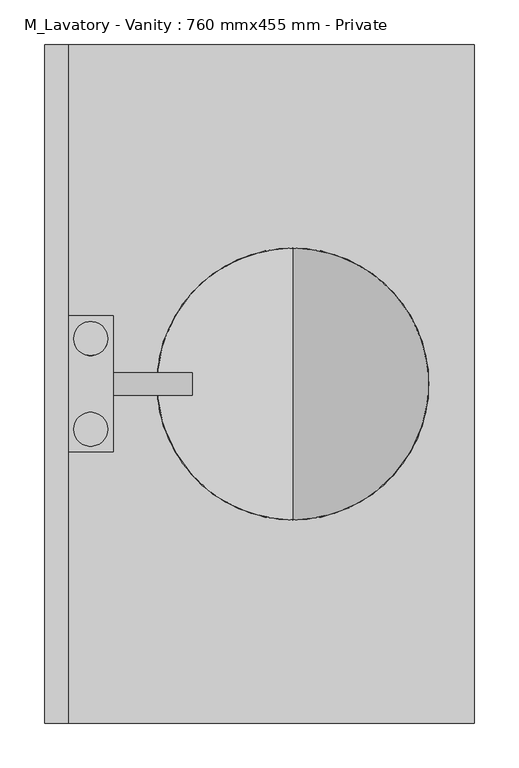
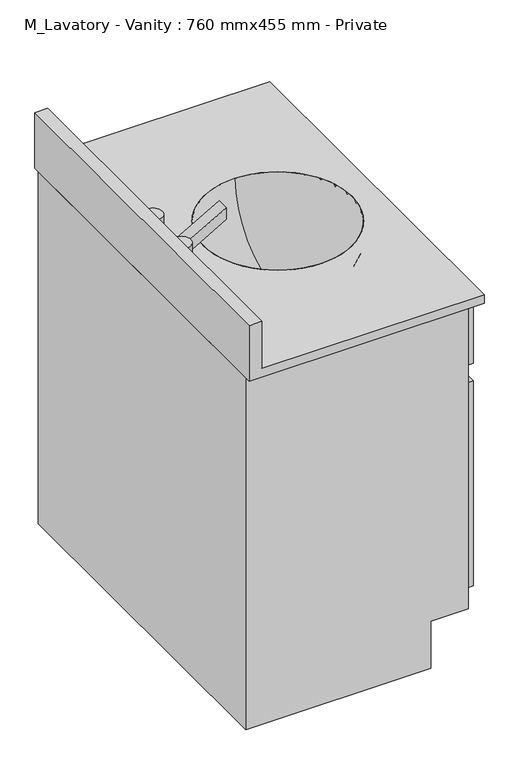
"""IFC4 building model written with IfcOpenShell, lengths in millimetres: flow terminal geometry, M_Lavatory - Vanity : 760 mmx455 mm - Private."""

from ifc_helpers import new_model, si_unit, point, frame, origin, place, context, project, spatial, polyline, circle_curve, ellipse_curve, trimmed, faceted_brep, source, transform, mapped, element, save
from ifc_brep_helpers import plane_surface, cylinder_surface, revolved_surface, advanced_brep


def m_lavatory_vanity_760_mmx455_mm_private_5dea4168(model_context):
    return source(origin(), model_context, "Body", "SolidModel", [
        advanced_brep(
        [(32.54375, -50.8, 844.55), (70.64375, -50.8, 844.55), (32.54375, 50.8, 844.55), (70.64375, 50.8, 844.55), (70.64375, -50.8, 806.45), (32.54375, -50.8, 806.45), (70.64375, 50.8, 806.45), (32.54375, 50.8, 806.45), (76.99375, -76.2, 806.45), (76.99375, -12.7, 806.45), (76.99375, 12.7, 806.45), (76.99375, 76.2, 806.45), (26.19375, 76.2, 806.45), (26.19375, -76.2, 806.45), (76.99375, 76.2, 781.05), (76.99375, 12.7, 781.05), (76.99375, -12.7, 781.05), (76.99375, -76.2, 781.05), (26.19375, -76.2, 781.05), (26.19375, 76.2, 781.05), (165.1, 12.7, 857.25), (165.1, 12.7, 831.85), (165.1, -12.7, 831.85), (165.1, -12.7, 857.25)],
        [
            (0, 1, circle_curve(frame((51.59375, -50.8, 844.55), z_axis=(0.0, 0.0, 1.0), x_axis=(1.0, 0.0, 0.0)), 19.05)),
            (1, 0, circle_curve(frame((51.59375, -50.8, 844.55), z_axis=(0.0, 0.0, 1.0), x_axis=(1.0, 0.0, 0.0)), 19.05)),
            (2, 3, circle_curve(frame((51.59375, 50.8, 844.55), z_axis=(0.0, 0.0, 1.0), x_axis=(1.0, 0.0, 0.0)), 19.05)),
            (3, 2, circle_curve(frame((51.59375, 50.8, 844.55), z_axis=(0.0, 0.0, 1.0), x_axis=(1.0, 0.0, 0.0)), 19.05)),
            (1, 4),
            (4, 5, circle_curve(frame((51.59375, -50.8, 806.45), z_axis=(0.0, 0.0, 1.0), x_axis=(1.0, 0.0, 0.0)), 19.05)),
            (5, 0),
            (5, 4, circle_curve(frame((51.59375, -50.8, 806.45), z_axis=(0.0, 0.0, 1.0), x_axis=(1.0, 0.0, 0.0)), 19.05)),
            (3, 6),
            (6, 7, circle_curve(frame((51.59375, 50.8, 806.45), z_axis=(0.0, 0.0, 1.0), x_axis=(1.0, 0.0, 0.0)), 19.05)),
            (7, 2),
            (7, 6, circle_curve(frame((51.59375, 50.8, 806.45), z_axis=(0.0, 0.0, 1.0), x_axis=(1.0, 0.0, 0.0)), 19.05)),
            (8, 9),
            (9, 10),
            (10, 11),
            (11, 12),
            (12, 13),
            (13, 8),
            (14, 15),
            (15, 16),
            (16, 17),
            (17, 18),
            (18, 19),
            (19, 14),
            (13, 18),
            (17, 8),
            (12, 19),
            (11, 14),
            (10, 15),
            (16, 9),
            (10, 20),
            (20, 21),
            (21, 15),
            (16, 22),
            (22, 23),
            (23, 9),
            (21, 22),
            (20, 23),
        ],
        [
            plane_surface(frame((70.64375, -50.8, 844.55), z_axis=(0.0, 0.0, 1.0), x_axis=(0.0, -1.0, 0.0))),
            cylinder_surface(frame((51.59375, -50.8, 806.45), z_axis=(0.0, 0.0, 1.0), x_axis=(1.0, 0.0, 0.0)), 19.05),
            cylinder_surface(frame((51.59375, 50.8, 0.0), z_axis=(0.0, 0.0, 1.0), x_axis=(1.0, 0.0, 0.0)), 19.05),
            plane_surface(frame((26.19375, -76.2, 806.45), z_axis=(0.0, 0.0, 1.0), x_axis=(-1.0, 0.0, 0.0))),
            plane_surface(frame((26.19375, -76.2, 781.05), z_axis=(0.0, 0.0, -1.0), x_axis=(1.0, 0.0, 0.0))),
            plane_surface(frame((76.99375, -76.2, 806.45), z_axis=(0.0, -1.0, 0.0), x_axis=(0.0, 0.0, -1.0))),
            plane_surface(frame((26.19375, -76.2, 806.45), z_axis=(-1.0, 0.0, 0.0), x_axis=(0.0, 0.0, -1.0))),
            plane_surface(frame((26.19375, 76.2, 806.45), z_axis=(0.0, 1.0, 0.0), x_axis=(0.0, 0.0, -1.0))),
            plane_surface(frame((76.99375, 76.2, 806.45), z_axis=(1.0, 0.0, 0.0), x_axis=(0.0, 0.0, -1.0))),
            plane_surface(frame((76.99375, 12.7, 806.45), z_axis=(0.0, 1.0, 0.0), x_axis=(0.0, 0.0, -1.0))),
            plane_surface(frame((76.99375, -12.7, 806.45), z_axis=(0.0, -1.0, 0.0), x_axis=(0.0, 0.0, 1.0))),
            plane_surface(frame((76.99375, 12.7, 781.05), z_axis=(0.4994972193446417, 0.0, -0.8663154897997444), x_axis=(0.0, -1.0, 0.0))),
            plane_surface(frame((165.1, 12.7, 831.85), z_axis=(1.0, 0.0, 0.0), x_axis=(0.0, -1.0, 0.0))),
            plane_surface(frame((165.1, 12.7, 857.25), z_axis=(-0.4994972193446448, 0.0, 0.8663154897997426), x_axis=(0.0, -1.0, 0.0))),
        ],
        [
            (0, [[1, 2]]),
            (0, [[3, 4]]),
            (1, [[5, 6, 7, -2]]),
            (1, [[-7, 8, -5, -1]]),
            (2, [[9, 10, 11, -4]]),
            (2, [[-11, 12, -9, -3]]),
            (3, [[13, 14, 15, 16, 17, 18], [-8, -6], [-12, -10]]),
            (4, [[19, 20, 21, 22, 23, 24]]),
            (5, [[25, -22, 26, -18]]),
            (6, [[27, -23, -25, -17]]),
            (7, [[28, -24, -27, -16]]),
            (8, [[-15, 29, -19, -28]]),
            (8, [[-21, 30, -13, -26]]),
            (9, [[-29, 31, 32, 33]]),
            (10, [[-30, 34, 35, 36]]),
            (11, [[37, -34, -20, -33]]),
            (12, [[38, -35, -37, -32]]),
            (13, [[-14, -36, -38, -31]]),
        ],
    ),
        advanced_brep(
        [(277.99375, 0.0, 628.65), (277.99375, 152.4, 781.05), (277.99375, -152.4, 781.05), (277.99375, 44.45, 628.65), (277.99375, 0.0, 628.65), (277.99375, -44.45, 628.65), (277.99375, 157.6028553, 762.0), (277.99375, -157.6028553, 762.0)],
        [
            (0, 1, circle_curve(frame((277.99375, 0.0, 781.05), z_axis=(1.0, 0.0, 0.0), x_axis=(0.0, 1.0, 0.0)), 152.4)),
            (1, 2, circle_curve(frame((277.99375, 0.0, 781.05), z_axis=(0.0, 0.0, 1.0), x_axis=(0.0, -1.0, 0.0)), 152.4)),
            (2, 0, circle_curve(frame((277.99375, 0.0, 781.05), z_axis=(1.0, 0.0, 0.0), x_axis=(0.0, -1.0, 0.0)), 152.4)),
            (2, 1, circle_curve(frame((277.99375, 0.0, 781.05), z_axis=(0.0, 0.0, 1.0), x_axis=(0.0, -1.0, 0.0)), 152.4)),
            (3, 4),
            (4, 5),
            (5, 3, circle_curve(frame((277.99375, 0.0, 628.65), z_axis=(0.0, 0.0, -1.0), x_axis=(0.0, -1.0, 0.0)), 44.45)),
            (3, 5, circle_curve(frame((277.99375, 0.0, 628.65), z_axis=(0.0, 0.0, -1.0), x_axis=(0.0, -1.0, 0.0)), 44.45)),
            (6, 3, circle_curve(frame((277.99375, 0.0, 781.05), z_axis=(-1.0, 0.0, 0.0), x_axis=(0.0, 1.0, 0.0)), 158.75)),
            (5, 7, circle_curve(frame((277.99375, 0.0, 781.05), z_axis=(-1.0, 0.0, 0.0), x_axis=(0.0, -1.0, 0.0)), 158.75)),
            (7, 6, circle_curve(frame((277.99375, 0.0, 762.0), z_axis=(0.0, 0.0, -1.0), x_axis=(0.0, -1.0, 0.0)), 157.6028553)),
            (6, 7, circle_curve(frame((277.99375, 0.0, 762.0), z_axis=(0.0, 0.0, -1.0), x_axis=(0.0, -1.0, 0.0)), 157.6028553)),
            (1, 6),
            (7, 2),
        ],
        [
            revolved_surface(trimmed(ellipse_curve(frame((277.99375, 0.0, 781.05), z_axis=(1.0, 0.0, 0.0), x_axis=(0.0, -1.0, 0.0)), 152.4, 152.4), [point((277.99375, -152.4, 781.05))], [point((277.99375, 0.0, 628.65))], True, "CARTESIAN"), (277.99375, 0.0, 520.7), (0.0, 0.0, 1.0)),
            plane_surface(frame((277.99375, 0.0, 628.65), z_axis=(0.0, 0.0, -1.0), x_axis=(0.0, -1.0, 0.0))),
            revolved_surface(trimmed(ellipse_curve(frame((277.99375, 0.0, 781.05), z_axis=(-1.0, 0.0, 0.0), x_axis=(0.0, -1.0, 0.0)), 158.75, 158.75), [point((277.99375, -44.45, 628.65))], [point((277.99375, -157.6028553, 762.0))], True, "CARTESIAN"), (277.99375, 0.0, 520.7), (0.0, 0.0, 1.0)),
            revolved_surface(polyline([(277.99375, -157.6028553, 762.0), (277.99375, -152.4, 781.05)]), (277.99375, 0.0, 520.7), (0.0, 0.0, 1.0)),
        ],
        [
            (0, [[1, 2, 3]]),
            (0, [[-3, 4, -1]]),
            (1, [[5, 6, 7]]),
            (1, [[-6, -5, 8]]),
            (2, [[9, -7, 10, 11]]),
            (2, [[-10, -8, -9, 12]]),
            (3, [[13, -11, 14, -2]]),
            (3, [[-14, -12, -13, -4]]),
        ],
    ),
        advanced_brep(
        [(481.19375, 380.0, 781.05), (26.19375, 380.0, 781.05), (26.19375, -380.0, 781.05), (481.19375, -380.0, 781.05), (430.39375, 0.0, 781.05), (125.59375, 0.0, 781.05), (481.19375, -380.0, 762.0), (0.0, -380.0, 762.0), (0.0, 380.0, 762.0), (481.19375, 380.0, 762.0), (125.59375, 0.0, 762.0), (430.39375, 0.0, 762.0), (26.19375, -380.0, 882.65), (0.0, -380.0, 882.65), (0.0, 380.0, 882.65), (26.19375, 380.0, 882.65)],
        [
            (0, 1),
            (1, 2),
            (2, 3),
            (3, 0),
            (4, 5, circle_curve(frame((277.99375, 0.0, 781.05), z_axis=(0.0, 0.0, -1.0), x_axis=(1.0, 0.0, 0.0)), 152.4)),
            (5, 4, circle_curve(frame((277.99375, 0.0, 781.05), z_axis=(0.0, 0.0, -1.0), x_axis=(1.0, 0.0, 0.0)), 152.4)),
            (6, 7),
            (7, 8),
            (8, 9),
            (9, 6),
            (10, 11, circle_curve(frame((277.99375, 0.0, 762.0), z_axis=(0.0, 0.0, 1.0), x_axis=(1.0, 0.0, 0.0)), 152.4)),
            (11, 10, circle_curve(frame((277.99375, 0.0, 762.0), z_axis=(0.0, 0.0, 1.0), x_axis=(1.0, 0.0, 0.0)), 152.4)),
            (6, 3),
            (2, 12),
            (12, 13),
            (13, 7),
            (13, 14),
            (14, 8),
            (14, 15),
            (15, 1),
            (0, 9),
            (5, 10),
            (11, 4),
            (12, 15),
        ],
        [
            plane_surface(frame((0.0, -380.0, 781.05), z_axis=(0.0, 0.0, 1.0), x_axis=(-1.0, 0.0, 0.0))),
            plane_surface(frame((0.0, -380.0, 762.0), z_axis=(0.0, 0.0, -1.0), x_axis=(1.0, 0.0, 0.0))),
            plane_surface(frame((481.19375, -380.0, 781.05), z_axis=(0.0, -1.0, 0.0), x_axis=(0.0, 0.0, -1.0))),
            plane_surface(frame((0.0, -380.0, 781.05), z_axis=(-1.0, 0.0, 0.0), x_axis=(0.0, 0.0, -1.0))),
            plane_surface(frame((0.0, 380.0, 781.05), z_axis=(0.0, 1.0, 0.0), x_axis=(0.0, 0.0, -1.0))),
            plane_surface(frame((481.19375, 380.0, 781.05), z_axis=(1.0, 0.0, 0.0), x_axis=(0.0, 0.0, -1.0))),
            revolved_surface(polyline([(430.39374999999995, 0.0, 781.05), (430.39374999999995, 0.0, 762.0)]), (277.99375, 0.0, 762.0), (0.0, 0.0, 1.0)),
            plane_surface(frame((0.0, -380.0, 882.65), z_axis=(0.0, 0.0, 1.0), x_axis=(-1.0, 0.0, 0.0))),
            plane_surface(frame((26.19375, 380.0, 882.65), z_axis=(1.0, 0.0, 0.0), x_axis=(0.0, 0.0, -1.0))),
        ],
        [
            (0, [[1, 2, 3, 4], [5, 6]]),
            (1, [[7, 8, 9, 10], [11, 12]]),
            (2, [[13, -3, 14, 15, 16, -7]]),
            (3, [[17, 18, -8, -16]]),
            (4, [[19, 20, -1, 21, -9, -18]]),
            (5, [[-13, -10, -21, -4]]),
            (6, [[-6, 22, -12, 23]]),
            (6, [[-11, -22, -5, -23]]),
            (7, [[24, -19, -17, -15]]),
            (8, [[-14, -2, -20, -24]]),
        ],
    ),
        faceted_brep([(379.59375, -367.3, 0.0), (0.0, -367.3, 0.0), (0.0, 367.3, 0.0), (379.59375, 367.3, 0.0), (379.59375, -367.3, 101.6), (455.79375, -367.3, 101.6), (455.79375, -367.3, 762.0), (0.0, -367.3, 762.0), (0.0, 367.3, 762.0), (455.79375, 367.3, 762.0), (455.79375, 367.3, 101.6), (379.59375, 367.3, 101.6), (26.19375, -341.9, 762.0), (26.19375, 341.9, 762.0), (443.09375, 341.9, 762.0), (443.09375, -341.9, 762.0), (455.79375, 341.9, 736.6), (455.79375, 341.9, 609.6), (455.79375, -341.9, 609.6), (455.79375, -341.9, 736.6), (455.79375, 341.9, 571.5), (455.79375, 341.9, 368.3), (455.79375, 87.9, 368.3), (455.79375, 87.9, 571.5), (455.79375, 341.9, 330.2), (455.79375, 341.9, 127.0), (455.79375, 87.9, 127.0), (455.79375, 87.9, 330.2), (455.79375, 49.8, 571.5), (455.79375, 49.8, 127.0), (455.79375, -341.9, 127.0), (455.79375, -341.9, 571.5), (443.09375, -341.9, 368.3), (443.09375, 341.9, 368.3), (26.19375, 341.9, 368.3), (26.19375, -341.9, 368.3), (481.19375, -341.9, 736.6), (481.19375, -341.9, 609.6), (481.19375, 341.9, 609.6), (481.19375, 341.9, 736.6), (481.19375, 87.9, 571.5), (481.19375, 87.9, 368.3), (481.19375, 341.9, 368.3), (481.19375, 341.9, 571.5), (481.19375, 87.9, 330.2), (481.19375, 87.9, 127.0), (481.19375, 341.9, 127.0), (481.19375, 341.9, 330.2), (481.19375, -341.9, 571.5), (481.19375, -341.9, 127.0), (481.19375, 49.8, 127.0), (481.19375, 49.8, 571.5)], [[[0, 1, 2, 3]], [[0, 4, 5, 6, 7, 1]], [[1, 7, 8, 2]], [[2, 8, 9, 10, 11, 3]], [[3, 11, 4, 0]], [[6, 9, 8, 7], [12, 13, 14, 15]], [[5, 4, 11, 10]], [[6, 5, 10, 9], [16, 17, 18, 19], [20, 21, 22, 23], [24, 25, 26, 27], [28, 29, 30, 31]], [[32, 33, 34, 35]], [[35, 12, 15, 32]], [[34, 13, 12, 35]], [[33, 14, 13, 34]], [[32, 15, 14, 33]], [[36, 37, 38, 39]], [[40, 41, 42, 43]], [[44, 45, 46, 47]], [[48, 49, 50, 51]], [[39, 16, 19, 36]], [[38, 17, 16, 39]], [[37, 18, 17, 38]], [[36, 19, 18, 37]], [[43, 20, 23, 40]], [[42, 21, 20, 43]], [[41, 22, 21, 42]], [[40, 23, 22, 41]], [[47, 24, 27, 44]], [[46, 25, 24, 47]], [[45, 26, 25, 46]], [[44, 27, 26, 45]], [[51, 28, 31, 48]], [[50, 29, 28, 51]], [[49, 30, 29, 50]], [[48, 31, 30, 49]]]),
    ])


if __name__ == "__main__":
    model = new_model("IFC4")
    model_context = context("Model", 3, world=origin())
    ifc_project = project(units=[si_unit("LENGTHUNIT", "METRE", prefix="MILLI")], contexts=[model_context])
    site = spatial("IfcSite", under=ifc_project)
    building = spatial("IfcBuilding", under=site)
    placement = place(None, origin())
    m_lavatory_vanity_760_mmx455_mm_private_shape = m_lavatory_vanity_760_mmx455_mm_private_5dea4168(model_context)
    element("IfcFlowTerminal", 1, ObjectType="M_Lavatory - Vanity : 760 mmx455 mm - Private", at=placement, inside=building, context=model_context, shape_type="MappedRepresentation", body=[
        mapped(m_lavatory_vanity_760_mmx455_mm_private_shape, transform((0.0, 0.0, 0.0), x_axis=(1.0, 0.0, 0.0), y_axis=(0.0, 1.0, 0.0), z_axis=(0.0, 0.0, 1.0))),
    ])
    save(model, "model.ifc")
